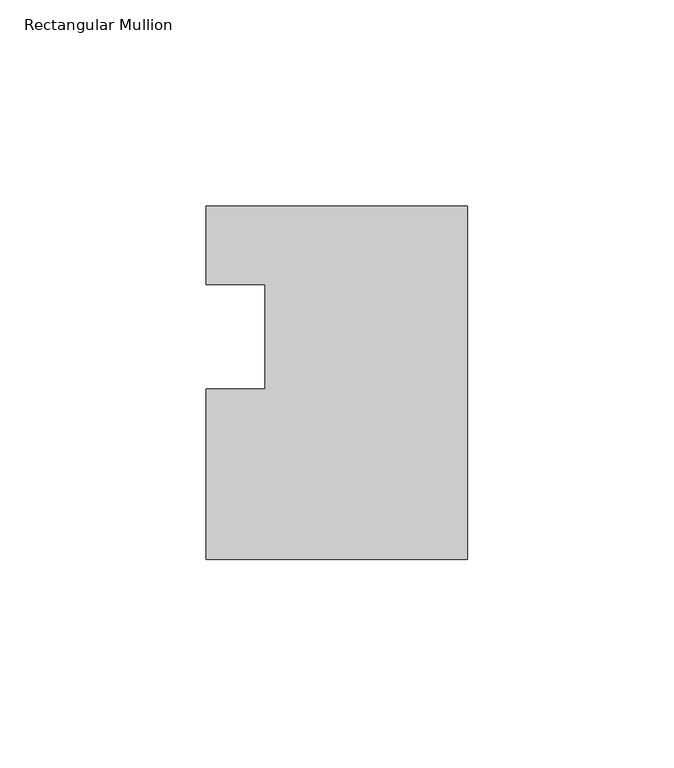
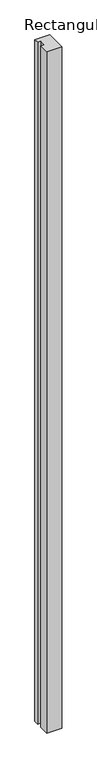
"""IFC4 building model written with IfcOpenShell, lengths in millimetres: member geometry, Rectangular Mullion."""

from ifc_helpers import new_model, si_unit, frame, origin, place, context, project, spatial, polyline, outline, extrude, source, transform, mapped, element, save


def rectangular_mullion_ae9617e8(model_context):
    return source(origin(), model_context, "Body", "SweptSolid", [
        extrude(outline(polyline([(-0.000129, 31.7245455), (0.0, -54.0133409), (-63.5, -54.0134364), (-63.5000621, -12.738415), (-49.2252621, -12.738415), (-49.2253003, 12.661585), (-63.4960612, 12.6616148), (-63.4999406, 31.7116144), (-0.000129, 31.7245455)])), frame((0.0, 0.0, -3048.0000003), z_axis=(0.0, 0.0, 1.0), x_axis=(1.0, 0.0, 0.0)), (0.0, 0.0, 1.0), 3048.0000003),
    ])


if __name__ == "__main__":
    model = new_model("IFC4")
    model_context = context("Model", 3, world=origin())
    ifc_project = project(units=[si_unit("LENGTHUNIT", "METRE", prefix="MILLI")], contexts=[model_context])
    site = spatial("IfcSite", under=ifc_project)
    building = spatial("IfcBuilding", under=site)
    placement = place(None, origin())
    rectangular_mullion_shape = rectangular_mullion_ae9617e8(model_context)
    element("IfcMember", 1, ObjectType="Rectangular Mullion", at=placement, inside=building, context=model_context, shape_type="MappedRepresentation", body=[
        mapped(rectangular_mullion_shape, transform((0.0, 0.0, 0.0), x_axis=(1.0, 0.0, 0.0), y_axis=(0.0, 1.0, 0.0), z_axis=(0.0, 0.0, 1.0))),
    ])
    save(model, "model.ifc")
